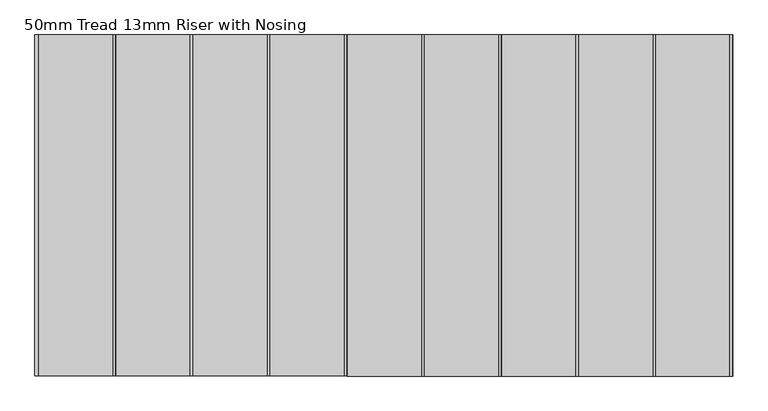
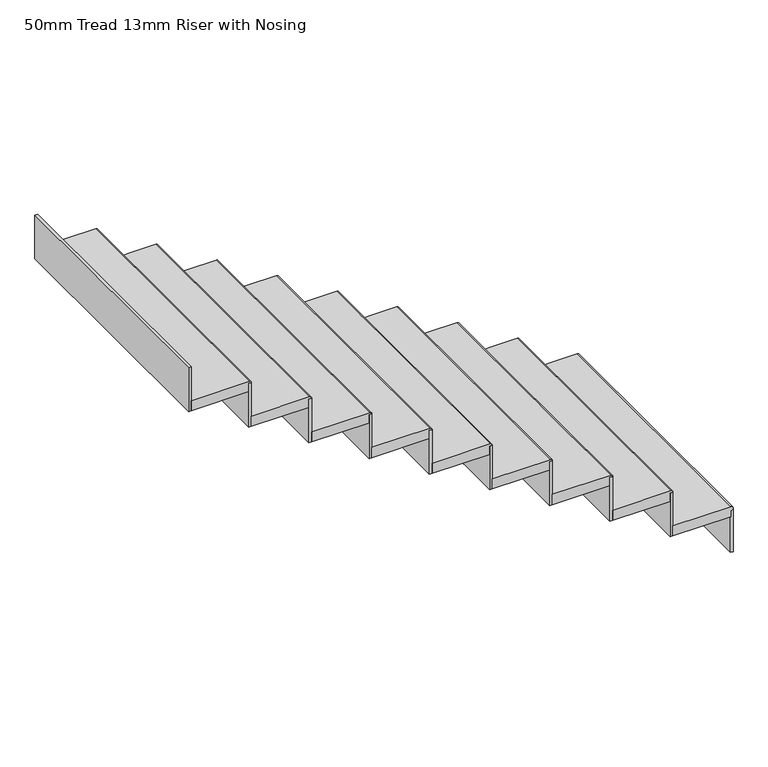
"""IFC4 building model written with IfcOpenShell, lengths in millimetres: stair flight geometry, 50mm Tread 13mm Riser with Nosing."""

from ifc_helpers import new_model, si_unit, point, frame, frame_2d, origin, place, context, project, spatial, polyline, circle_curve, trimmed, segment, composite_curve, outline, extrude, source, transform, mapped, element, save


def stair_flight_50mm_tread_13mm_riser_with_nosing_6fce91d2(model_context):
    return source(origin(), model_context, "Body", "SweptSolid", [
        extrude(outline(composite_curve([segment(polyline([(5425.0, -21218.301725), (5425.0, -21488.301725), (5375.0, -21488.301725), (5375.0, -21218.301725), (5405.0, -21218.301725)]), True, "CONTINUOUS"), segment(trimmed(circle_curve(frame_2d((5415.0, -21218.301725)), 10.0), [point((5405.0, -21218.301725))], [point((5425.0, -21218.301725))], False, "CARTESIAN"), True, "CONTINUOUS")], self_intersect=False)), frame((0.0, 14451.3039623, 0.0), z_axis=(0.0, 1.0, 0.0), x_axis=(0.0, 0.0, 1.0)), (0.0, 0.0, 1.0), 1237.1029242),
        extrude(outline(polyline([(-21220.801725, 15688.4068866), (-21208.301725, 15688.4068866), (-21208.301725, 14451.3039623), (-21220.801725, 14451.3039623), (-21220.801725, 15688.4068866)])), frame((0.0, 0.0, 5200.0), z_axis=(0.0, 0.0, 1.0), x_axis=(1.0, 0.0, 0.0)), (0.0, 0.0, 1.0), 215.0),
        extrude(outline(polyline([(-21500.801725, 15688.4068866), (-21488.301725, 15688.4068866), (-21488.301725, 14451.3039623), (-21500.801725, 14451.3039623), (-21500.801725, 15688.4068866)])), frame((0.0, 0.0, 5375.0), z_axis=(0.0, 0.0, 1.0), x_axis=(1.0, 0.0, 0.0)), (0.0, 0.0, 1.0), 215.0),
        extrude(outline(composite_curve([segment(polyline([(5600.0, -21498.301725), (5600.0, -21768.301725), (5550.0, -21768.301725), (5550.0, -21498.301725), (5580.0, -21498.301725)]), True, "CONTINUOUS"), segment(trimmed(circle_curve(frame_2d((5590.0, -21498.301725)), 10.0), [point((5580.0, -21498.301725))], [point((5600.0, -21498.301725))], False, "CARTESIAN"), True, "CONTINUOUS")], self_intersect=False)), frame((0.0, 14451.3039623, 0.0), z_axis=(0.0, 1.0, 0.0), x_axis=(0.0, 0.0, 1.0)), (0.0, 0.0, 1.0), 1237.1029242),
        extrude(outline(polyline([(-21780.801725, 15688.4068866), (-21768.301725, 15688.4068866), (-21768.301725, 14451.3039623), (-21780.801725, 14451.3039623), (-21780.801725, 15688.4068866)])), frame((0.0, 0.0, 5550.0), z_axis=(0.0, 0.0, 1.0), x_axis=(1.0, 0.0, 0.0)), (0.0, 0.0, 1.0), 215.0),
        extrude(outline(composite_curve([segment(polyline([(5775.0, -21778.301725), (5775.0, -22048.301725), (5725.0, -22048.301725), (5725.0, -21778.301725), (5755.0, -21778.301725)]), True, "CONTINUOUS"), segment(trimmed(circle_curve(frame_2d((5765.0, -21778.301725)), 10.0), [point((5755.0, -21778.301725))], [point((5775.0, -21778.301725))], False, "CARTESIAN"), True, "CONTINUOUS")], self_intersect=False)), frame((0.0, 14451.3039623, 0.0), z_axis=(0.0, 1.0, 0.0), x_axis=(0.0, 0.0, 1.0)), (0.0, 0.0, 1.0), 1237.1029242),
        extrude(outline(polyline([(-22060.801725, 15688.4068866), (-22048.301725, 15688.4068866), (-22048.301725, 14451.3039623), (-22060.801725, 14451.3039623), (-22060.801725, 15688.4068866)])), frame((0.0, 0.0, 5725.0), z_axis=(0.0, 0.0, 1.0), x_axis=(1.0, 0.0, 0.0)), (0.0, 0.0, 1.0), 215.0),
        extrude(outline(composite_curve([segment(polyline([(5950.0, -22058.301725), (5950.0, -22328.301725), (5900.0, -22328.301725), (5900.0, -22058.301725), (5930.0, -22058.301725)]), True, "CONTINUOUS"), segment(trimmed(circle_curve(frame_2d((5940.0, -22058.301725)), 10.0), [point((5930.0, -22058.301725))], [point((5950.0, -22058.301725))], False, "CARTESIAN"), True, "CONTINUOUS")], self_intersect=False)), frame((0.0, 14451.3039623, 0.0), z_axis=(0.0, 1.0, 0.0), x_axis=(0.0, 0.0, 1.0)), (0.0, 0.0, 1.0), 1237.1029242),
        extrude(outline(polyline([(-22340.801725, 15688.4068866), (-22328.301725, 15688.4068866), (-22328.301725, 14451.3039623), (-22340.801725, 14451.3039623), (-22340.801725, 15688.4068866)])), frame((0.0, 0.0, 5900.0), z_axis=(0.0, 0.0, 1.0), x_axis=(1.0, 0.0, 0.0)), (0.0, 0.0, 1.0), 215.0),
        extrude(outline(composite_curve([segment(polyline([(6125.0, -22338.301725), (6125.0, -22608.301725), (6075.0, -22608.301725), (6075.0, -22338.301725), (6105.0, -22338.301725)]), True, "CONTINUOUS"), segment(trimmed(circle_curve(frame_2d((6115.0, -22338.301725)), 10.0), [point((6105.0, -22338.301725))], [point((6125.0, -22338.301725))], False, "CARTESIAN"), True, "CONTINUOUS")], self_intersect=False)), frame((0.0, 14451.3039623, 0.0), z_axis=(0.0, 1.0, 0.0), x_axis=(0.0, 0.0, 1.0)), (0.0, 0.0, 1.0), 1237.1029242),
        extrude(outline(polyline([(-22620.801725, 15688.4068866), (-22608.301725, 15688.4068866), (-22608.301725, 14451.3039623), (-22620.801725, 14451.3039623), (-22620.801725, 15688.4068866)])), frame((0.0, 0.0, 6075.0), z_axis=(0.0, 0.0, 1.0), x_axis=(1.0, 0.0, 0.0)), (0.0, 0.0, 1.0), 215.0),
        extrude(outline(composite_curve([segment(polyline([(6300.0, -22618.301725), (6300.0, -22888.301725), (6250.0, -22888.301725), (6250.0, -22618.301725), (6280.0, -22618.301725)]), True, "CONTINUOUS"), segment(trimmed(circle_curve(frame_2d((6290.0, -22618.301725)), 10.0), [point((6280.0, -22618.301725))], [point((6300.0, -22618.301725))], False, "CARTESIAN"), True, "CONTINUOUS")], self_intersect=False)), frame((0.0, 14451.3039623, 0.0), z_axis=(0.0, 1.0, 0.0), x_axis=(0.0, 0.0, 1.0)), (0.0, 0.0, 1.0), 1237.1029242),
        extrude(outline(polyline([(-22900.801725, 15688.4068866), (-22888.301725, 15688.4068866), (-22888.301725, 14451.3039623), (-22900.801725, 14451.3039623), (-22900.801725, 15688.4068866)])), frame((0.0, 0.0, 6250.0), z_axis=(0.0, 0.0, 1.0), x_axis=(1.0, 0.0, 0.0)), (0.0, 0.0, 1.0), 215.0),
        extrude(outline(composite_curve([segment(polyline([(6475.0, -22898.301725), (6475.0, -23168.301725), (6425.0, -23168.301725), (6425.0, -22898.301725), (6455.0, -22898.301725)]), True, "CONTINUOUS"), segment(trimmed(circle_curve(frame_2d((6465.0, -22898.301725)), 10.0), [point((6455.0, -22898.301725))], [point((6475.0, -22898.301725))], False, "CARTESIAN"), True, "CONTINUOUS")], self_intersect=False)), frame((0.0, 14451.3039623, 0.0), z_axis=(0.0, 1.0, 0.0), x_axis=(0.0, 0.0, 1.0)), (0.0, 0.0, 1.0), 1237.1029242),
        extrude(outline(polyline([(-23180.801725, 15688.4068866), (-23168.301725, 15688.4068866), (-23168.301725, 14451.3039623), (-23180.801725, 14451.3039623), (-23180.801725, 15688.4068866)])), frame((0.0, 0.0, 6425.0), z_axis=(0.0, 0.0, 1.0), x_axis=(1.0, 0.0, 0.0)), (0.0, 0.0, 1.0), 215.0),
        extrude(outline(composite_curve([segment(polyline([(6650.0, -23178.301725), (6650.0, -23448.301725), (6600.0, -23448.301725), (6600.0, -23178.301725), (6630.0, -23178.301725)]), True, "CONTINUOUS"), segment(trimmed(circle_curve(frame_2d((6640.0, -23178.301725)), 10.0), [point((6630.0, -23178.301725))], [point((6650.0, -23178.301725))], False, "CARTESIAN"), True, "CONTINUOUS")], self_intersect=False)), frame((0.0, 14451.3039623, 0.0), z_axis=(0.0, 1.0, 0.0), x_axis=(0.0, 0.0, 1.0)), (0.0, 0.0, 1.0), 1237.1029242),
        extrude(outline(polyline([(-23460.801725, 15688.4068866), (-23448.301725, 15688.4068866), (-23448.301725, 14451.3039623), (-23460.801725, 14451.3039623), (-23460.801725, 15688.4068866)])), frame((0.0, 0.0, 6600.0), z_axis=(0.0, 0.0, 1.0), x_axis=(1.0, 0.0, 0.0)), (0.0, 0.0, 1.0), 215.0),
        extrude(outline(polyline([(-23740.801725, 15688.4068866), (-23728.301725, 15688.4068866), (-23728.301725, 14451.3039623), (-23740.801725, 14451.3039623), (-23740.801725, 15688.4068866)])), frame((0.0, 0.0, 6775.0), z_axis=(0.0, 0.0, 1.0), x_axis=(1.0, 0.0, 0.0)), (0.0, 0.0, 1.0), 215.0),
        extrude(outline(composite_curve([segment(polyline([(6825.0, -23458.301725), (6825.0, -23728.301725), (6775.0, -23728.301725), (6775.0, -23458.301725), (6805.0, -23458.301725)]), True, "CONTINUOUS"), segment(trimmed(circle_curve(frame_2d((6815.0, -23458.301725)), 10.0), [point((6805.0, -23458.301725))], [point((6825.0, -23458.301725))], False, "CARTESIAN"), True, "CONTINUOUS")], self_intersect=False)), frame((0.0, 14451.3039623, 0.0), z_axis=(0.0, 1.0, 0.0), x_axis=(0.0, 0.0, 1.0)), (0.0, 0.0, 1.0), 1237.1029242),
    ])


if __name__ == "__main__":
    model = new_model("IFC4")
    model_context = context("Model", 3, world=origin())
    ifc_project = project(units=[si_unit("LENGTHUNIT", "METRE", prefix="MILLI")], contexts=[model_context])
    site = spatial("IfcSite", under=ifc_project)
    building = spatial("IfcBuilding", under=site)
    placement = place(None, origin())
    stair_flight_50mm_tread_13mm_riser_with_nosing_shape = stair_flight_50mm_tread_13mm_riser_with_nosing_6fce91d2(model_context)
    element("IfcStairFlight", 1, ObjectType="50mm Tread 13mm Riser with Nosing", at=placement, inside=building, context=model_context, shape_type="MappedRepresentation", body=[
        mapped(stair_flight_50mm_tread_13mm_riser_with_nosing_shape, transform((0.0, 0.0, 0.0), x_axis=(1.0, 0.0, 0.0), y_axis=(0.0, 1.0, 0.0), z_axis=(0.0, 0.0, 1.0))),
    ])
    save(model, "model.ifc")
